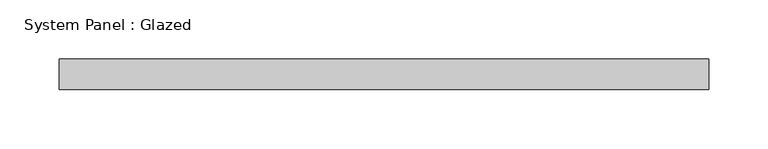
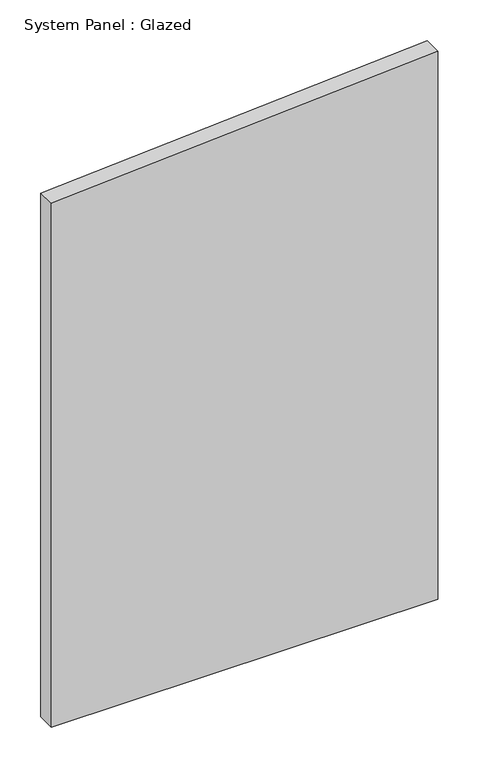
"""IFC4 building model written with IfcOpenShell, lengths in millimetres: plate geometry, System Panel : Glazed."""

from ifc_helpers import new_model, si_unit, frame, origin, place, context, project, spatial, polyline, outline, extrude, source, transform, mapped, element, save


def system_panel_glazed_b42d016b(model_context):
    return source(origin(), model_context, "Body", "SweptSolid", [
        extrude(outline(polyline([(0.0, -273.05), (0.0, 273.05), (818.4920098, 273.05), (782.3835946, -273.05), (0.0, -273.05)])), frame((0.0, 19.05, 0.0), z_axis=(0.0, 1.0, 0.0), x_axis=(0.0, 0.0, 1.0)), (0.0, 0.0, 1.0), 25.4),
    ])


if __name__ == "__main__":
    model = new_model("IFC4")
    model_context = context("Model", 3, world=origin())
    ifc_project = project(units=[si_unit("LENGTHUNIT", "METRE", prefix="MILLI")], contexts=[model_context])
    site = spatial("IfcSite", under=ifc_project)
    building = spatial("IfcBuilding", under=site)
    placement = place(None, origin())
    system_panel_glazed_shape = system_panel_glazed_b42d016b(model_context)
    element("IfcPlate", 1, ObjectType="System Panel : Glazed", at=placement, inside=building, context=model_context, shape_type="MappedRepresentation", body=[
        mapped(system_panel_glazed_shape, transform((0.0, 0.0, 0.0), x_axis=(1.0, 0.0, 0.0), y_axis=(0.0, 1.0, 0.0), z_axis=(0.0, 0.0, 1.0))),
    ])
    save(model, "model.ifc")
